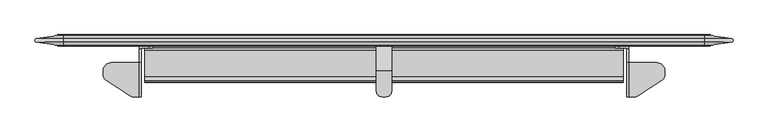
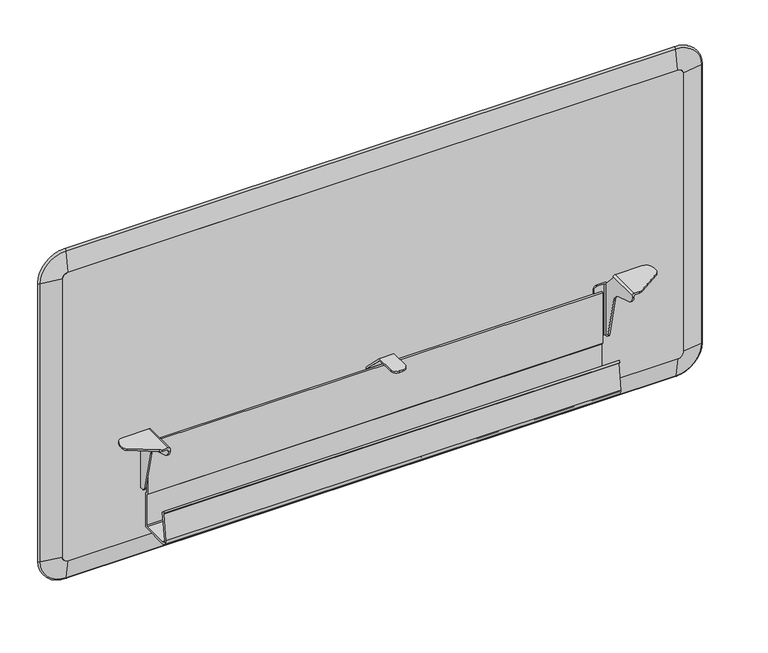
"""IFC4 building model written with IfcOpenShell, lengths in millimetres: furniture geometry."""

from ifc_helpers import new_model, si_unit, point, frame, frame_2d, origin, place, context, project, spatial, polyline, circle_curve, ellipse_curve, trimmed, segment, composite_curve, outline, extrude, source, transform, mapped, element, save
from ifc_brep_helpers import plane_surface, cylinder_surface, revolved_surface, advanced_brep


def furniture_534813c3(model_context):
    return source(origin(), model_context, "Body", "SolidModel", [
        advanced_brep(
        [(37.8460002, 26.549624, 1019.1897249), (47.2440002, 26.549624, 1028.5877249), (47.2440002, 31.9712442, 1064.189321), (2.2444041, 31.9712442, 1019.1897249), (37.8460002, 43.0596241, 1019.1897249), (47.2440002, 43.0596241, 1028.5877249), (2.2444041, 37.638004, 1019.1897249), (47.2440002, 37.638004, 1064.189321), (2.2444041, 31.9712442, 503.0871249), (37.8460002, 26.549624, 503.0871249), (37.8460002, 43.0596241, 503.0871249), (2.2444041, 37.638004, 503.0871249), (47.2440002, 26.549624, 493.6891249), (47.2440002, 31.9712442, 458.0875287), (47.2440002, 43.0596241, 493.6891249), (47.2440002, 37.638004, 458.0875287), (1117.8539998, 31.9712442, 458.0875287), (1117.8539998, 26.549624, 493.6891249), (1117.8539998, 43.0596241, 493.6891249), (1117.8539998, 37.638004, 458.0875287), (1127.2519998, 26.549624, 503.0871249), (1162.8535959, 31.9712442, 503.0871249), (1162.8535959, 31.9712442, 1019.1897249), (1127.2519998, 26.549624, 1019.1897249), (1127.2519998, 43.0596241, 503.0871249), (1127.2519998, 43.0596241, 1019.1897249), (1162.8535959, 37.638004, 503.0871249), (1162.8535959, 37.638004, 1019.1897249), (1117.8539998, 26.549624, 1028.5877249), (1117.8539998, 31.9712442, 1064.189321), (1117.8539998, 43.0596241, 1028.5877249), (1117.8539998, 37.638004, 1064.189321)],
        [
            (0, 1, circle_curve(frame((47.2440002, 26.549624, 1019.1897249), z_axis=(0.0, 1.0, 0.0), x_axis=(0.0, 0.0, 1.0)), 9.398)),
            (1, 2),
            (2, 3, circle_curve(frame((47.2440002, 31.9712442, 1019.1897249), z_axis=(0.0, -1.0, 0.0), x_axis=(0.0, 0.0, 1.0)), 44.9995962)),
            (3, 0),
            (4, 5, circle_curve(frame((47.2440002, 43.0596241, 1019.1897249), z_axis=(0.0, 1.0, 0.0), x_axis=(0.0, 0.0, 1.0)), 9.398)),
            (5, 1),
            (0, 4),
            (6, 7, circle_curve(frame((47.2440002, 37.638004, 1019.1897249), z_axis=(0.0, 1.0, 0.0), x_axis=(0.0, 0.0, 1.0)), 44.9995962)),
            (7, 5),
            (4, 6),
            (2, 7, circle_curve(frame((47.2440002, 34.8046241, 1063.7578373), z_axis=(-1.0, 0.0, 0.0), x_axis=(0.0, 0.0, -1.0)), 2.866046)),
            (6, 3, circle_curve(frame((2.6758878, 34.8046241, 1019.1897249), z_axis=(-1.656996421875594e-12, 0.0, 1.0), x_axis=(1.0, 0.0, 1.656996421875594e-12)), 2.866046)),
            (3, 8),
            (8, 9),
            (9, 0),
            (9, 10),
            (10, 4),
            (10, 11),
            (11, 6),
            (11, 8, circle_curve(frame((2.6758878, 34.8046241, 503.0871249), z_axis=(0.0, 0.0, 1.0), x_axis=(1.0, 0.0, 0.0)), 2.866046)),
            (12, 9, circle_curve(frame((47.2440002, 26.549624, 503.0871249), z_axis=(0.0, 1.0, 0.0), x_axis=(-1.0, 0.0, 0.0)), 9.398)),
            (8, 13, circle_curve(frame((47.2440002, 31.9712442, 503.0871249), z_axis=(0.0, -1.0, 0.0), x_axis=(-1.0, 0.0, 0.0)), 44.9995962)),
            (13, 12),
            (14, 10, circle_curve(frame((47.2440002, 43.0596241, 503.0871249), z_axis=(0.0, 1.0, 0.0), x_axis=(-1.0, 0.0, 0.0)), 9.398)),
            (12, 14),
            (15, 11, circle_curve(frame((47.2440002, 37.638004, 503.0871249), z_axis=(0.0, 1.0, 0.0), x_axis=(-1.0, 0.0, 0.0)), 44.9995962)),
            (14, 15),
            (15, 13, circle_curve(frame((47.2440002, 34.8046241, 458.5190124), z_axis=(-1.0, 0.0, 0.0), x_axis=(0.0, 0.0, 1.0)), 2.866046)),
            (13, 16),
            (16, 17),
            (17, 12),
            (17, 18),
            (18, 14),
            (18, 19),
            (19, 15),
            (19, 16, circle_curve(frame((1117.8539998, 34.8046241, 458.5190124), z_axis=(-1.0, 0.0, 0.0), x_axis=(0.0, 0.0, 1.0)), 2.866046)),
            (20, 21),
            (21, 22),
            (22, 23),
            (23, 20),
            (24, 20),
            (23, 25),
            (25, 24),
            (26, 24),
            (25, 27),
            (27, 26),
            (21, 26, circle_curve(frame((1162.4221122, 34.8046241, 503.0871249), z_axis=(0.0, 0.0, 1.0), x_axis=(-1.0, 0.0, 0.0)), 2.866046)),
            (27, 22, circle_curve(frame((1162.4221122, 34.8046241, 1019.1897249), z_axis=(0.0, 0.0, -1.0), x_axis=(-1.0, 0.0, 0.0)), 2.866046)),
            (28, 23, circle_curve(frame((1117.8539998, 26.549624, 1019.1897249), z_axis=(0.0, 1.0, 0.0), x_axis=(1.0, 0.0, 0.0)), 9.398)),
            (22, 29, circle_curve(frame((1117.8539998, 31.9712442, 1019.1897249), z_axis=(0.0, -1.0, 0.0), x_axis=(1.0, 0.0, 0.0)), 44.9995962)),
            (29, 28),
            (30, 25, circle_curve(frame((1117.8539998, 43.0596241, 1019.1897249), z_axis=(0.0, 1.0, 0.0), x_axis=(1.0, 0.0, 0.0)), 9.398)),
            (28, 30),
            (31, 27, circle_curve(frame((1117.8539998, 37.638004, 1019.1897249), z_axis=(0.0, 1.0, 0.0), x_axis=(1.0, 0.0, 0.0)), 44.9995962)),
            (30, 31),
            (31, 29, circle_curve(frame((1117.8539998, 34.8046241, 1063.7578373), z_axis=(1.0, 0.0, 0.0), x_axis=(0.0, 0.0, -1.0)), 2.866046)),
            (29, 2),
            (1, 28),
            (5, 30),
            (7, 31),
            (20, 17, circle_curve(frame((1117.8539998, 26.549624, 503.0871249), z_axis=(0.0, 1.0, 0.0), x_axis=(0.0, 0.0, -1.0)), 9.398)),
            (16, 21, circle_curve(frame((1117.8539998, 31.9712442, 503.0871249), z_axis=(0.0, -1.0, 0.0), x_axis=(0.0, 0.0, -1.0)), 44.9995962)),
            (24, 18, circle_curve(frame((1117.8539998, 43.0596241, 503.0871249), z_axis=(0.0, 1.0, 0.0), x_axis=(0.0, 0.0, -1.0)), 9.398)),
            (26, 19, circle_curve(frame((1117.8539998, 37.638004, 503.0871249), z_axis=(0.0, 1.0, 0.0), x_axis=(0.0, 0.0, -1.0)), 44.9995962)),
        ],
        [
            revolved_surface(polyline([(47.2440002, 31.9712442, 1064.189321), (47.2440002, 26.549624, 1028.5877249)]), (47.2440002, 34.8046241, 1019.1897249), (0.0, -1.0, 0.0)),
            revolved_surface(polyline([(47.2440002, 26.549624, 1028.5877249), (47.2440002, 43.0596241, 1028.5877249)]), (47.2440002, 34.8046241, 1019.1897249), (0.0, -1.0, 0.0)),
            revolved_surface(polyline([(47.2440002, 43.0596241, 1028.5877249), (47.2440002, 37.638004, 1064.189321)]), (47.2440002, 34.8046241, 1019.1897249), (0.0, -1.0, 0.0)),
            revolved_surface(trimmed(ellipse_curve(frame((47.2440002, 34.8046241, 1063.7578373), z_axis=(1.0, 0.0, 0.0), x_axis=(0.0, 0.0, -1.0)), 2.866046, 2.866046), [point((47.2440002, 37.638004, 1064.189321))], [point((47.2440002, 31.9712442, 1064.189321))], True, "CARTESIAN"), (47.2440002, 34.8046241, 1019.1897249), (0.0, -1.0, 0.0)),
            plane_surface(frame((2.2444041, 31.9712442, 1019.1897249), z_axis=(-0.1505501753136433, -0.9886023693644637, 0.0), x_axis=(0.0, 0.0, -1.0))),
            plane_surface(frame((37.8460002, 26.549624, 1019.1897249), z_axis=(1.0, 0.0, 0.0), x_axis=(0.0, 0.0, -1.0))),
            plane_surface(frame((37.8460002, 43.0596241, 1019.1897249), z_axis=(-0.1505501753136384, 0.9886023693644643, 0.0), x_axis=(0.0, 0.0, -1.0))),
            cylinder_surface(frame((2.6758878, 34.8046241, 1019.1897249), z_axis=(0.0, 0.0, 1.0), x_axis=(1.0, 0.0, 0.0)), 2.866046),
            revolved_surface(polyline([(2.2444041, 31.9712442, 503.0871249), (37.8460002, 26.549624, 503.0871249)]), (47.2440002, 34.8046241, 503.0871249), (0.0, -1.0, 0.0)),
            revolved_surface(polyline([(37.846000200000006, 26.549624, 503.0871249), (37.846000200000006, 43.0596241, 503.0871249)]), (47.2440002, 34.8046241, 503.0871249), (0.0, -1.0, 0.0)),
            revolved_surface(polyline([(37.8460002, 43.0596241, 503.0871249), (2.2444041, 37.638004, 503.0871249)]), (47.2440002, 34.8046241, 503.0871249), (0.0, -1.0, 0.0)),
            revolved_surface(trimmed(ellipse_curve(frame((2.6758878, 34.8046241, 503.0871249), z_axis=(0.0, 0.0, 1.0), x_axis=(1.0, 0.0, 0.0)), 2.866046, 2.866046), [point((2.2444041, 37.638004, 503.0871249))], [point((2.2444041, 31.9712442, 503.0871249))], True, "CARTESIAN"), (47.2440002, 34.8046241, 503.0871249), (0.0, -1.0, 0.0)),
            plane_surface(frame((47.2440002, 31.9712442, 458.0875287), z_axis=(0.0, -0.9886023693644641, -0.1505501753136401), x_axis=(1.0, 0.0, 0.0))),
            plane_surface(frame((47.2440002, 26.549624, 493.6891249), z_axis=(0.0, 0.0, 1.0), x_axis=(1.0, 0.0, 0.0))),
            plane_surface(frame((47.2440002, 43.0596241, 493.6891249), z_axis=(0.0, 0.9886023693644639, -0.1505501753136416), x_axis=(1.0, 0.0, 0.0))),
            cylinder_surface(frame((47.2440002, 34.8046241, 458.5190124), z_axis=(-1.0, 0.0, 0.0), x_axis=(0.0, 0.0, 1.0)), 2.866046),
            plane_surface(frame((1162.8535959, 31.9712442, 503.0871249), z_axis=(0.1505501753136369, -0.9886023693644646, 0.0), x_axis=(0.0, 0.0, 1.0))),
            plane_surface(frame((1127.2519998, 26.549624, 503.0871249), z_axis=(-1.0, 0.0, 0.0), x_axis=(0.0, 0.0, 1.0))),
            plane_surface(frame((1127.2519998, 43.0596241, 503.0871249), z_axis=(0.15055017531364479, 0.9886023693644634, 0.0), x_axis=(0.0, 0.0, 1.0))),
            cylinder_surface(frame((1162.4221122, 34.8046241, 503.0871249), z_axis=(0.0, 0.0, -1.0), x_axis=(-1.0, 0.0, 0.0)), 2.866046),
            revolved_surface(polyline([(1162.8535959, 31.9712442, 1019.1897249), (1127.2519998, 26.549624, 1019.1897249)]), (1117.8539998, 34.8046241, 1019.1897249), (0.0, -1.0, 0.0)),
            revolved_surface(polyline([(1127.2519998, 26.549624, 1019.1897249), (1127.2519998, 43.0596241, 1019.1897249)]), (1117.8539998, 34.8046241, 1019.1897249), (0.0, -1.0, 0.0)),
            revolved_surface(polyline([(1127.2519998, 43.0596241, 1019.1897249), (1162.8535959, 37.638004, 1019.1897249)]), (1117.8539998, 34.8046241, 1019.1897249), (0.0, -1.0, 0.0)),
            revolved_surface(trimmed(ellipse_curve(frame((1162.4221122, 34.8046241, 1019.1897249), z_axis=(0.0, 0.0, -1.0), x_axis=(-1.0, 0.0, 0.0)), 2.866046, 2.866046), [point((1162.8535959, 37.638004, 1019.1897249))], [point((1162.8535959, 31.9712442, 1019.1897249))], True, "CARTESIAN"), (1117.8539998, 34.8046241, 1019.1897249), (0.0, -1.0, 0.0)),
            plane_surface(frame((1117.8539998, 31.9712442, 1064.189321), z_axis=(0.0, -0.9886023693644641, 0.1505501753136401), x_axis=(-1.0, 0.0, 0.0))),
            plane_surface(frame((1117.8539998, 26.549624, 1028.5877249), z_axis=(0.0, 0.0, -1.0), x_axis=(-1.0, 0.0, 0.0))),
            plane_surface(frame((1117.8539998, 43.0596241, 1028.5877249), z_axis=(0.0, 0.9886023693644639, 0.1505501753136416), x_axis=(-1.0, 0.0, 0.0))),
            cylinder_surface(frame((1117.8539998, 34.8046241, 1063.7578373), z_axis=(1.0, 0.0, 0.0), x_axis=(0.0, 0.0, -1.0)), 2.866046),
            revolved_surface(polyline([(1117.8539998, 31.9712442, 458.0875287), (1117.8539998, 26.549624, 493.6891249)]), (1117.8539998, 34.8046241, 503.0871249), (0.0, -1.0, 0.0)),
            revolved_surface(polyline([(1117.8539998, 26.549624, 493.68912489999997), (1117.8539998, 43.0596241, 493.68912489999997)]), (1117.8539998, 34.8046241, 503.0871249), (0.0, -1.0, 0.0)),
            revolved_surface(polyline([(1117.8539998, 43.0596241, 493.6891249), (1117.8539998, 37.638004, 458.0875287)]), (1117.8539998, 34.8046241, 503.0871249), (0.0, -1.0, 0.0)),
            revolved_surface(trimmed(ellipse_curve(frame((1117.8539998, 34.8046241, 458.5190124), z_axis=(-1.0, 0.0, 0.0), x_axis=(0.0, 0.0, 1.0)), 2.866046, 2.866046), [point((1117.8539998, 37.638004, 458.0875287))], [point((1117.8539998, 31.9712442, 458.0875287))], True, "CARTESIAN"), (1117.8539998, 34.8046241, 503.0871249), (0.0, -1.0, 0.0)),
        ],
        [
            (0, [[1, 2, 3, 4]]),
            (1, [[5, 6, -1, 7]]),
            (2, [[8, 9, -5, 10]]),
            (3, [[-3, 11, -8, 12]]),
            (4, [[-4, 13, 14, 15]]),
            (5, [[-7, -15, 16, 17]]),
            (6, [[-10, -17, 18, 19]]),
            (7, [[-12, -19, 20, -13]]),
            (8, [[21, -14, 22, 23]]),
            (9, [[24, -16, -21, 25]]),
            (10, [[26, -18, -24, 27]]),
            (11, [[-22, -20, -26, 28]]),
            (12, [[-23, 29, 30, 31]]),
            (13, [[-25, -31, 32, 33]]),
            (14, [[-27, -33, 34, 35]]),
            (15, [[-28, -35, 36, -29]]),
            (16, [[37, 38, 39, 40]]),
            (17, [[41, -40, 42, 43]]),
            (18, [[44, -43, 45, 46]]),
            (19, [[47, -46, 48, -38]]),
            (20, [[49, -39, 50, 51]]),
            (21, [[52, -42, -49, 53]]),
            (22, [[54, -45, -52, 55]]),
            (23, [[-50, -48, -54, 56]]),
            (24, [[-51, 57, -2, 58]]),
            (25, [[-53, -58, -6, 59]]),
            (26, [[-55, -59, -9, 60]]),
            (27, [[-56, -60, -11, -57]]),
            (28, [[61, -30, 62, -37]]),
            (29, [[63, -32, -61, -41]]),
            (30, [[64, -34, -63, -44]]),
            (31, [[-62, -36, -64, -47]]),
        ],
    ),
        extrude(outline(composite_curve([segment(polyline([(1028.5877249, 1117.8539998), (1028.5877249, 47.2440002)]), True, "CONTINUOUS"), segment(trimmed(circle_curve(frame_2d((1019.1897249, 47.2440002)), 9.398), [point((1028.5877249, 47.2440002))], [point((1019.1897249, 37.8460002))], False, "CARTESIAN"), True, "CONTINUOUS"), segment(polyline([(1019.1897249, 37.8460002), (503.0871249, 37.8460002)]), True, "CONTINUOUS"), segment(trimmed(circle_curve(frame_2d((503.0871249, 47.2440002)), 9.398), [point((503.0871249, 37.8460002))], [point((493.6891249, 47.2440002))], False, "CARTESIAN"), True, "CONTINUOUS"), segment(polyline([(493.6891249, 47.2440002), (493.6891249, 1117.8539998)]), True, "CONTINUOUS"), segment(trimmed(circle_curve(frame_2d((503.0871249, 1117.8539998)), 9.398), [point((493.6891249, 1117.8539998))], [point((503.0871249, 1127.2519998))], False, "CARTESIAN"), True, "CONTINUOUS"), segment(polyline([(503.0871249, 1127.2519998), (1019.1897249, 1127.2519998)]), True, "CONTINUOUS"), segment(trimmed(circle_curve(frame_2d((1019.1897249, 1117.8539998)), 9.398), [point((1019.1897249, 1127.2519998))], [point((1028.5877249, 1117.8539998))], False, "CARTESIAN"), True, "CONTINUOUS")], self_intersect=False)), frame((0.0, 25.4066228, 0.0), z_axis=(0.0, 1.0, 0.0), x_axis=(0.0, 0.0, 1.0)), (0.0, 0.0, 1.0), 18.7960025),
        extrude(outline(composite_curve([segment(polyline([(-29.6214455, 566.0400135), (-32.2417275, 568.6602751), (-31.9020339, 572.8107121), (-26.2692382, 567.1779164), (-32.5488339, 519.4796569)]), True, "CONTINUOUS"), segment(trimmed(circle_curve(frame_2d((-26.2531591, 518.6508155)), 6.35), [point((-32.5488339, 519.4796569))], [point((-26.2531591, 512.3008155))], True, "CARTESIAN"), True, "CONTINUOUS"), segment(polyline([(-26.2531591, 512.3008155), (20.6071565, 512.3008155), (22.1946573, 513.8882913), (22.1946573, 570.4668145), (19.0196569, 573.6418024), (19.0196569, 667.977396), (22.1946573, 667.977396), (22.1946573, 574.9569474), (25.3696565, 571.7819232), (25.3696565, 512.3008155), (24.4397214, 510.055749), (22.1946573, 509.1257913), (-26.0079813, 509.1257913)]), True, "CONTINUOUS"), segment(trimmed(circle_curve(frame_2d((-26.0079813, 518.8658104)), 9.7400191), [point((-26.0079813, 509.1257913))], [point((-35.6646732, 520.1371379))], False, "CARTESIAN"), True, "CONTINUOUS"), segment(polyline([(-35.6646732, 520.1371379), (-29.6214455, 566.0400135)]), True, "CONTINUOUS")], self_intersect=False)), frame((183.0831925, 0.0, 0.0), z_axis=(1.0, 0.0, 0.0), x_axis=(0.0, 1.0, 0.0)), (0.0, 0.0, 1.0), 798.9316072),
        advanced_brep(
        [(986.5359998, 22.0728737, 681.0643879), (988.0599983, 20.5488729, 681.0643879), (991.1079954, 20.5488729, 681.0643879), (991.1079954, 25.1208731, 681.0643879), (975.1059985, 25.1208731, 681.0643879), (975.1059985, 22.0728737, 681.0643879), (991.1079998, 18.5173958, 585.8154416), (988.0599998, 18.5173958, 585.8154416), (988.0599998, 20.5488729, 585.8154416), (986.5359998, 22.0728737, 585.8154416), (975.1059985, 22.0728737, 585.8154416), (975.1059985, 25.1208731, 585.8154416), (991.1079954, 25.1208731, 585.8154416), (991.1079954, 20.5488729, 681.3737901), (991.1079954, -2.6141187, 706.2063852), (991.1079954, -59.9691275, 706.2063881), (991.1079954, -59.9691275, 703.6685243), (991.1079954, -51.0192378, 691.5348244), (991.1079954, -19.5344252, 681.8039492), (991.1079954, -4.0487508, 665.2685282), (991.1079954, 14.0702213, 589.3263938), (968.7559985, 25.1208731, 592.1654416), (968.7559985, 25.1208731, 674.7143879), (968.7559985, 22.0728737, 674.7143879), (968.7559985, 22.0728737, 592.1654416), (992.6827917, -59.9691275, 707.7811438), (1000.9824919, -59.9691275, 707.7811438), (1000.9824919, -59.9691275, 710.8545753), (991.2349998, -59.9691275, 710.8545753), (988.0599998, -59.9691275, 707.6795753), (988.0599998, -59.9691275, 703.6685243), (988.0599998, -2.6141187, 706.2063852), (988.0599998, -2.6141187, 707.6795753), (991.2349998, -2.6141187, 710.8545753), (1037.7169927, -2.6141187, 710.8545753), (1037.7169927, -2.6141187, 707.7811438), (992.6827917, -2.6141187, 707.7811438), (988.0599998, 20.5488729, 681.3737901), (988.0599998, 14.0702213, 589.3263938), (988.0599998, -4.0487508, 665.2685282), (988.0599998, -19.5344252, 681.8039492), (988.0599998, -51.0192378, 691.5348244), (1005.8892117, -58.4923724, 710.8545753), (1047.0687126, -31.236255, 710.8545753), (1051.0519927, -23.8230101, 710.8545753), (1051.0519927, -15.9491187, 710.8545753), (1047.0687126, -31.236255, 707.7811438), (1005.8892117, -58.4923724, 707.7811438), (1051.0519927, -15.9491187, 707.7811438), (1051.0519927, -23.8230101, 707.7811438)],
        [
            (0, 1),
            (1, 2),
            (2, 3),
            (3, 4),
            (4, 5),
            (5, 0),
            (6, 7),
            (7, 8),
            (8, 9),
            (9, 10),
            (10, 11),
            (11, 12),
            (12, 6),
            (0, 9),
            (8, 1),
            (2, 13),
            (13, 14),
            (14, 15),
            (15, 16),
            (16, 17, circle_curve(frame((991.1079954, -47.2691275, 703.6685243), z_axis=(1.0, 0.0, 0.0), x_axis=(0.0, 0.0, -1.0)), 12.7)),
            (17, 18),
            (18, 19, circle_curve(frame((991.1079954, -26.2846237, 659.9632894), z_axis=(-1.0, 0.0, 0.0), x_axis=(0.0, 0.0, -1.0)), 22.86)),
            (19, 20),
            (20, 6, circle_curve(frame((991.1079954, 18.5173958, 590.3874416), z_axis=(1.0, 0.0, 0.0), x_axis=(0.0, 0.0, -1.0)), 4.572)),
            (12, 3),
            (11, 21, circle_curve(frame((975.1059985, 25.1208731, 592.1654416), z_axis=(0.0, 1.0, 0.0), x_axis=(-1.0, 0.0, 0.0)), 6.35)),
            (21, 22),
            (22, 4, circle_curve(frame((975.1059985, 25.1208731, 674.7143879), z_axis=(0.0, 1.0, 0.0), x_axis=(-1.0, 0.0, 0.0)), 6.35)),
            (5, 23, circle_curve(frame((975.1059985, 22.0728737, 674.7143879), z_axis=(0.0, -1.0, 0.0), x_axis=(-1.0, 0.0, 0.0)), 6.35)),
            (23, 24),
            (24, 10, circle_curve(frame((975.1059985, 22.0728737, 592.1654416), z_axis=(0.0, -1.0, 0.0), x_axis=(-1.0, 0.0, 0.0)), 6.35)),
            (24, 21),
            (23, 22),
            (15, 25),
            (25, 26),
            (26, 27),
            (27, 28),
            (28, 29, circle_curve(frame((991.2349998, -59.9691275, 707.6795753), z_axis=(0.0, -1.0, 0.0), x_axis=(-1.0, 0.0, 0.0)), 3.175)),
            (29, 30),
            (30, 16),
            (31, 32),
            (32, 33, circle_curve(frame((991.2349998, -2.6141187, 707.6795753), z_axis=(0.0, 1.0, 0.0), x_axis=(-1.0, 0.0, 0.0)), 3.175)),
            (33, 34),
            (34, 35),
            (35, 36),
            (36, 14),
            (14, 31),
            (29, 32),
            (31, 37),
            (37, 1),
            (7, 38, circle_curve(frame((988.0599998, 18.5173958, 590.3874416), z_axis=(-1.0, 0.0, 0.0), x_axis=(0.0, 0.0, -1.0)), 4.572)),
            (38, 39),
            (39, 40, circle_curve(frame((988.0599998, -26.2846237, 659.9632894), z_axis=(1.0, 0.0, 0.0), x_axis=(0.0, 0.0, -1.0)), 22.86)),
            (40, 41),
            (41, 30, circle_curve(frame((988.0599998, -47.2691275, 703.6685243), z_axis=(-1.0, 0.0, 0.0), x_axis=(0.0, 0.0, -1.0)), 12.7)),
            (36, 25),
            (28, 33),
            (27, 42, circle_curve(frame((1000.9824919, -51.0791275, 710.8545753), z_axis=(0.0, 0.0, 1.0), x_axis=(-1.0, 0.0, 0.0)), 8.89)),
            (42, 43),
            (43, 44, circle_curve(frame((1042.1619927, -23.8230101, 710.8545753), z_axis=(0.0, 0.0, 1.0), x_axis=(-1.0, 0.0, 0.0)), 8.89)),
            (44, 45),
            (45, 34, circle_curve(frame((1037.7169927, -15.9491187, 710.8545753), z_axis=(0.0, 0.0, 1.0), x_axis=(-1.0, 0.0, 0.0)), 13.335)),
            (46, 47),
            (47, 26, circle_curve(frame((1000.9824919, -51.0791275, 707.7811438), z_axis=(0.0, 0.0, -1.0), x_axis=(-1.0, 0.0, 0.0)), 8.89)),
            (35, 48, circle_curve(frame((1037.7169927, -15.9491187, 707.7811438), z_axis=(0.0, 0.0, -1.0), x_axis=(-1.0, 0.0, 0.0)), 13.335)),
            (48, 49),
            (49, 46, circle_curve(frame((1042.1619927, -23.8230101, 707.7811438), z_axis=(0.0, 0.0, -1.0), x_axis=(-1.0, 0.0, 0.0)), 8.89)),
            (42, 47),
            (46, 43),
            (45, 48),
            (44, 49),
            (37, 13),
            (20, 38),
            (19, 39),
            (18, 40),
            (17, 41),
        ],
        [
            plane_surface(frame((986.5359998, 25.1208731, 681.0643879), z_axis=(0.0, 0.0, 1.0), x_axis=(0.0, -1.0, 0.0))),
            plane_surface(frame((986.5359998, 25.1208731, 585.8154416), z_axis=(0.0, 0.0, -1.0), x_axis=(0.0, -1.0, 0.0))),
            plane_surface(frame((986.5359998, 22.0728737, 681.0643879), z_axis=(-0.7071073080222255, -0.707106254350477, 0.0), x_axis=(0.0, 0.0, -1.0))),
            plane_surface(frame((991.1079954, 20.5488729, 681.0643879), z_axis=(1.0, 0.0, 0.0), x_axis=(0.0, 0.0, -1.0))),
            plane_surface(frame((991.1079954, 25.1208731, 681.0643879), z_axis=(0.0, 1.0, 0.0), x_axis=(0.0, 0.0, -1.0))),
            plane_surface(frame((975.1059985, 22.0728737, 681.0643879), z_axis=(0.0, -1.0, 0.0), x_axis=(-1.0, 0.0, 0.0))),
            cylinder_surface(frame((975.1059985, 25.1208731, 592.1654416), z_axis=(0.0, -1.0, 0.0), x_axis=(-1.0, 0.0, 0.0)), 6.35),
            plane_surface(frame((968.7559985, 22.0728737, 674.7143879), z_axis=(-1.0, 0.0, 0.0), x_axis=(0.0, 1.0, 0.0))),
            cylinder_surface(frame((975.1059985, 25.1208731, 674.7143879), z_axis=(0.0, -1.0, 0.0), x_axis=(-1.0, 0.0, 0.0)), 6.35),
            plane_surface(frame((988.0599998, -59.9691275, 706.2063852), z_axis=(0.0, -1.0, 0.0), x_axis=(0.0, 0.0, 1.0))),
            plane_surface(frame((988.0599998, -2.6141187, 706.2063852), z_axis=(0.0, 1.0, 0.0), x_axis=(0.0, 0.0, 1.0))),
            plane_surface(frame((988.0599998, -59.9691275, 707.6795753), z_axis=(-1.0, 0.0, 0.0), x_axis=(0.0, 1.0, 0.0))),
            plane_surface(frame((991.1079969, -59.9691275, 706.2063852), z_axis=(0.707098623564232, 0.0, -0.7071149387147527), x_axis=(0.0, 1.0, 0.0))),
            cylinder_surface(frame((991.2349998, -59.9691275, 707.6795753), z_axis=(0.0, -1.0, 0.0), x_axis=(-1.0, 0.0, 0.0)), 3.175),
            plane_surface(frame((992.6827917, -59.9691275, 710.8545753), z_axis=(0.0, 0.0, 1.0), x_axis=(0.0, 1.0, 0.0))),
            plane_surface(frame((1033.2719927, -23.8230101, 707.7811438), z_axis=(0.0, 0.0, -1.0), x_axis=(0.0, 1.0, 0.0))),
            plane_surface(frame((1005.8892117, -58.4923724, 710.8545753), z_axis=(0.5519369911431398, -0.8338858182076594, 0.0), x_axis=(0.0, 0.0, -1.0))),
            cylinder_surface(frame((1000.9824919, -51.0791275, 707.7811438), z_axis=(0.0, 0.0, 1.0), x_axis=(-1.0, 0.0, 0.0)), 8.89),
            cylinder_surface(frame((1037.7169927, -15.9491187, 707.7811438), z_axis=(0.0, 0.0, 1.0), x_axis=(-1.0, 0.0, 0.0)), 13.335),
            plane_surface(frame((1051.0519927, -23.8230101, 710.8545753), z_axis=(1.0, 0.0, 0.0), x_axis=(0.0, 0.0, -1.0))),
            cylinder_surface(frame((1042.1619927, -23.8230101, 707.7811438), z_axis=(0.0, 0.0, 1.0), x_axis=(-1.0, 0.0, 0.0)), 8.89),
            plane_surface(frame((991.1079998, 20.5488729, 585.8154416), z_axis=(0.0, 1.0, 0.0), x_axis=(-1.0, 0.0, 0.0))),
            plane_surface(frame((991.1079998, 20.5488729, 681.3737901), z_axis=(0.0, 0.7312623065650411, 0.6820963560943394), x_axis=(-1.0, 0.0, 0.0))),
            cylinder_surface(frame((988.0599998, 18.5173958, 590.3874416), z_axis=(1.0, 0.0, 0.0), x_axis=(0.0, 0.0, -1.0)), 4.572),
            plane_surface(frame((991.1079998, -4.0487508, 665.2685282), z_axis=(0.0, -0.972697849560511, -0.23207518923908624), x_axis=(-1.0, 0.0, 0.0))),
            revolved_surface(polyline([(988.0599998, -26.2846237, 637.1032894), (991.1079954, -26.2846237, 637.1032894)]), (988.0599998, -26.2846237, 659.9632894), (-1.0, 0.0, 0.0)),
            plane_surface(frame((991.1079998, -51.0192378, 691.5348244), z_axis=(0.0, -0.2952842736686701, -0.9554094398340254), x_axis=(-1.0, 0.0, 0.0))),
            cylinder_surface(frame((988.0599998, -47.2691275, 703.6685243), z_axis=(1.0, 0.0, 0.0), x_axis=(0.0, 0.0, -1.0)), 12.7),
        ],
        [
            (0, [[1, 2, 3, 4, 5, 6]]),
            (1, [[7, 8, 9, 10, 11, 12, 13]]),
            (2, [[-1, 14, -9, 15]]),
            (3, [[-3, 16, 17, 18, 19, 20, 21, 22, 23, 24, -13, 25]]),
            (4, [[-25, -12, 26, 27, 28, -4]]),
            (5, [[-6, 29, 30, 31, -10, -14]]),
            (6, [[-31, 32, -26, -11]]),
            (7, [[-30, 33, -27, -32]]),
            (8, [[-29, -5, -28, -33]]),
            (9, [[34, 35, 36, 37, 38, 39, 40, -19]]),
            (10, [[41, 42, 43, 44, 45, 46, 47]]),
            (11, [[-39, 48, -41, 49, 50, -15, -8, 51, 52, 53, 54, 55]]),
            (12, [[-34, -18, -46, 56]]),
            (13, [[-38, 57, -42, -48]]),
            (14, [[-57, -37, 58, 59, 60, 61, 62, -43]]),
            (15, [[63, 64, -35, -56, -45, 65, 66, 67]]),
            (16, [[-59, 68, -63, 69]]),
            (17, [[-58, -36, -64, -68]]),
            (18, [[-62, 70, -65, -44]]),
            (19, [[-61, 71, -66, -70]]),
            (20, [[-60, -69, -67, -71]]),
            (21, [[72, -16, -2, -50]]),
            (22, [[-49, -47, -17, -72]]),
            (23, [[-51, -7, -24, 73]]),
            (24, [[-52, -73, -23, 74]]),
            (25, [[-53, -74, -22, 75]]),
            (26, [[-54, -75, -21, 76]]),
            (27, [[-55, -76, -20, -40]]),
        ],
    ),
        advanced_brep(
        [(177.0380017, -59.9691275, 703.6685243), (177.0380017, -51.0192378, 691.5348244), (177.0380017, -19.5344252, 681.8039492), (177.0380017, -4.0487508, 665.2685282), (177.0380017, 14.0702213, 589.3263938), (177.0380017, 18.5173958, 585.8154416), (177.0380017, 20.5488729, 585.8154416), (177.0380017, 20.5488729, 681.0643879), (177.0380017, 20.5488729, 681.3737901), (177.0380017, -2.6141187, 706.2063852), (177.0380017, -2.6141187, 707.6795753), (177.0380017, -59.9691275, 707.6795753), (173.9900046, -2.6141187, 706.2063852), (173.9900046, 20.5488729, 681.3737901), (173.9900046, 20.5488729, 681.0643879), (173.9900046, 25.1208731, 681.0643879), (173.9900046, 25.1208731, 585.8154416), (173.9900046, 18.5173958, 585.8154416), (173.9900046, 14.0702213, 589.3263938), (173.9900046, -4.0487508, 665.2685282), (173.9900046, -19.5344252, 681.8039492), (173.9900046, -51.0192378, 691.5348244), (173.9900046, -59.9691275, 703.6685243), (173.9900046, -59.9691275, 706.2063852), (173.8630017, -59.9691275, 710.8545753), (164.1155081, -59.9691275, 710.8545753), (164.1155081, -59.9691275, 707.7811438), (172.4152097, -59.9691275, 707.7811438), (189.9920015, 25.1208731, 585.8154416), (189.9920015, 22.0728737, 585.8154416), (178.5620002, 22.0728737, 585.8154416), (178.5620002, 22.0728737, 681.0643879), (189.9920015, 22.0728737, 681.0643879), (189.9920015, 25.1208731, 681.0643879), (196.3420015, 25.1208731, 674.7143879), (196.3420015, 25.1208731, 592.1654416), (196.3420015, 22.0728737, 592.1654416), (196.3420015, 22.0728737, 674.7143879), (172.4152097, -2.6141187, 707.7811438), (127.3810073, -2.6141187, 707.7811438), (127.3810073, -2.6141187, 710.8545753), (173.8630017, -2.6141187, 710.8545753), (114.0460073, -15.9491187, 710.8545753), (114.0460073, -23.8230101, 710.8545753), (118.0292874, -31.236255, 710.8545753), (159.2087883, -58.4923724, 710.8545753), (118.0292874, -31.236255, 707.7811438), (114.0460073, -23.8230101, 707.7811438), (114.0460073, -15.9491187, 707.7811438), (159.2087883, -58.4923724, 707.7811438)],
        [
            (0, 1, circle_curve(frame((177.0380017, -47.2691275, 703.6685243), z_axis=(1.0, 0.0, 0.0), x_axis=(0.0, 0.0, -1.0)), 12.7)),
            (1, 2),
            (2, 3, circle_curve(frame((177.0380017, -26.2846237, 659.9632894), z_axis=(-1.0, 0.0, 0.0), x_axis=(0.0, 0.0, -1.0)), 22.86)),
            (3, 4),
            (4, 5, circle_curve(frame((177.0380017, 18.5173958, 590.3874416), z_axis=(1.0, 0.0, 0.0), x_axis=(0.0, 0.0, -1.0)), 4.572)),
            (5, 6),
            (6, 7),
            (7, 8),
            (8, 9),
            (9, 10),
            (10, 11),
            (11, 0),
            (12, 13),
            (13, 14),
            (14, 15),
            (15, 16),
            (16, 17),
            (17, 18, circle_curve(frame((173.9900046, 18.5173958, 590.3874416), z_axis=(-1.0, 0.0, 0.0), x_axis=(0.0, 0.0, -1.0)), 4.572)),
            (18, 19),
            (19, 20, circle_curve(frame((173.9900046, -26.2846237, 659.9632894), z_axis=(1.0, 0.0, 0.0), x_axis=(0.0, 0.0, -1.0)), 22.86)),
            (20, 21),
            (21, 22, circle_curve(frame((173.9900046, -47.2691275, 703.6685243), z_axis=(-1.0, 0.0, 0.0), x_axis=(0.0, 0.0, -1.0)), 12.7)),
            (22, 23),
            (23, 12),
            (13, 8),
            (7, 14),
            (22, 0),
            (11, 24, circle_curve(frame((173.8630017, -59.9691275, 707.6795753), z_axis=(0.0, -1.0, 0.0), x_axis=(-1.0, 0.0, 0.0)), 3.175)),
            (24, 25),
            (25, 26),
            (26, 27),
            (27, 23),
            (12, 9),
            (5, 17),
            (16, 28),
            (28, 29),
            (29, 30),
            (30, 6),
            (4, 18),
            (3, 19),
            (2, 20),
            (1, 21),
            (7, 31),
            (31, 32),
            (32, 33),
            (33, 15),
            (33, 34, circle_curve(frame((189.9920015, 25.1208731, 674.7143879), z_axis=(0.0, 1.0, 0.0), x_axis=(1.0, 0.0, 0.0)), 6.35)),
            (34, 35),
            (35, 28, circle_curve(frame((189.9920015, 25.1208731, 592.1654416), z_axis=(0.0, 1.0, 0.0), x_axis=(1.0, 0.0, 0.0)), 6.35)),
            (30, 31),
            (29, 36, circle_curve(frame((189.9920015, 22.0728737, 592.1654416), z_axis=(0.0, -1.0, 0.0), x_axis=(1.0, 0.0, 0.0)), 6.35)),
            (36, 37),
            (37, 32, circle_curve(frame((189.9920015, 22.0728737, 674.7143879), z_axis=(0.0, -1.0, 0.0), x_axis=(1.0, 0.0, 0.0)), 6.35)),
            (35, 36),
            (34, 37),
            (12, 38),
            (38, 39),
            (39, 40),
            (40, 41),
            (41, 10, circle_curve(frame((173.8630017, -2.6141187, 707.6795753), z_axis=(0.0, 1.0, 0.0), x_axis=(-1.0, 0.0, 0.0)), 3.175)),
            (27, 38),
            (41, 24),
            (40, 42, circle_curve(frame((127.3810073, -15.9491187, 710.8545753), z_axis=(0.0, 0.0, 1.0), x_axis=(1.0, 0.0, 0.0)), 13.335)),
            (42, 43),
            (43, 44, circle_curve(frame((122.9360073, -23.8230101, 710.8545753), z_axis=(0.0, 0.0, 1.0), x_axis=(-1.0, 0.0, 0.0)), 8.89)),
            (44, 45),
            (45, 25, circle_curve(frame((164.1155081, -51.0791275, 710.8545753), z_axis=(0.0, 0.0, 1.0), x_axis=(-1.0, 0.0, 0.0)), 8.89)),
            (46, 47, circle_curve(frame((122.9360073, -23.8230101, 707.7811438), z_axis=(0.0, 0.0, -1.0), x_axis=(-1.0, 0.0, 0.0)), 8.89)),
            (47, 48),
            (48, 39, circle_curve(frame((127.3810073, -15.9491187, 707.7811438), z_axis=(0.0, 0.0, -1.0), x_axis=(1.0, 0.0, 0.0)), 13.335)),
            (26, 49, circle_curve(frame((164.1155081, -51.0791275, 707.7811438), z_axis=(0.0, 0.0, -1.0), x_axis=(-1.0, 0.0, 0.0)), 8.89)),
            (49, 46),
            (44, 46),
            (49, 45),
            (48, 42),
            (47, 43),
        ],
        [
            plane_surface(frame((177.0380017, -2.6141187, 706.2063852), z_axis=(1.0, 0.0, 0.0), x_axis=(0.0, -0.6820963560943393, 0.7312623065650412))),
            plane_surface(frame((173.9900046, -2.6141187, 706.2063852), z_axis=(-1.0, 0.0, 0.0), x_axis=(0.0, 0.6820963560943393, -0.7312623065650412))),
            plane_surface(frame((173.9900046, 20.5488729, 681.3737901), z_axis=(0.0, 1.0, 0.0), x_axis=(1.0, 0.0, 0.0))),
            plane_surface(frame((173.9900046, -59.9691275, 703.6685243), z_axis=(0.0, -1.0, 0.0), x_axis=(1.0, 0.0, 0.0))),
            plane_surface(frame((173.9900046, -2.6141187, 706.2063852), z_axis=(0.0, 0.7312623065650412, 0.6820963560943393), x_axis=(1.0, 0.0, 0.0))),
            plane_surface(frame((173.9900046, 20.5488729, 585.8154416), z_axis=(0.0, 0.0, -1.0), x_axis=(1.0, 0.0, 0.0))),
            cylinder_surface(frame((177.0380017, 18.5173958, 590.3874416), z_axis=(-1.0, 0.0, 0.0), x_axis=(0.0, 0.0, -1.0)), 4.572),
            plane_surface(frame((173.9900046, 14.0702213, 589.3263938), z_axis=(0.0, -0.972697849560511, -0.23207518923908593), x_axis=(1.0, 0.0, 0.0))),
            revolved_surface(polyline([(177.0380017, -26.2846237, 637.1032894), (173.9900046, -26.2846237, 637.1032894)]), (177.0380017, -26.2846237, 659.9632894), (1.0, 0.0, 0.0)),
            plane_surface(frame((173.9900046, -19.5344252, 681.8039492), z_axis=(0.0, -0.29528427366866977, -0.9554094398340254), x_axis=(1.0, 0.0, 0.0))),
            cylinder_surface(frame((177.0380017, -47.2691275, 703.6685243), z_axis=(-1.0, 0.0, 0.0), x_axis=(0.0, 0.0, -1.0)), 12.7),
            plane_surface(frame((178.5620002, 25.1208731, 681.0643879), z_axis=(0.0, 0.0, 1.0), x_axis=(0.0, -1.0, 0.0))),
            plane_surface(frame((178.5620002, 25.1208731, 681.0643879), z_axis=(0.0, 1.0, 0.0), x_axis=(0.0, 0.0, -1.0))),
            plane_surface(frame((177.0380017, 20.5488729, 681.0643879), z_axis=(0.7071073080221921, -0.7071062543505103, 0.0), x_axis=(0.0, 0.0, -1.0))),
            plane_surface(frame((178.5620002, 22.0728737, 585.8154416), z_axis=(0.0, -1.0, 0.0), x_axis=(0.0, 0.0, -1.0))),
            cylinder_surface(frame((189.9920015, 25.1208731, 592.1654416), z_axis=(0.0, -1.0, 0.0), x_axis=(1.0, 0.0, 0.0)), 6.35),
            plane_surface(frame((196.3420015, 22.0728737, 592.1654416), z_axis=(1.0, 0.0, 0.0), x_axis=(0.0, 1.0, 0.0))),
            cylinder_surface(frame((189.9920015, 25.1208731, 674.7143879), z_axis=(0.0, -1.0, 0.0), x_axis=(1.0, 0.0, 0.0)), 6.35),
            plane_surface(frame((177.0380017, -2.6141187, 706.2063852), z_axis=(0.0, 1.0, 0.0), x_axis=(0.0, 0.0, 1.0))),
            plane_surface(frame((172.4152097, -59.9691275, 707.7811438), z_axis=(-0.707098623564232, 0.0, -0.7071149387147527), x_axis=(0.0, 1.0, 0.0))),
            cylinder_surface(frame((173.8630017, -59.9691275, 707.6795753), z_axis=(0.0, -1.0, 0.0), x_axis=(-1.0, 0.0, 0.0)), 3.175),
            plane_surface(frame((173.8630017, -59.9691275, 710.8545753), z_axis=(0.0, 0.0, 1.0), x_axis=(0.0, 1.0, 0.0))),
            plane_surface(frame((118.0292825, -31.2362518, 707.7811438), z_axis=(0.0, 0.0, -1.0), x_axis=(-0.8338858182076654, 0.5519369911431308, 0.0))),
            plane_surface(frame((118.0292874, -31.236255, 710.8545753), z_axis=(-0.5519369911431308, -0.8338858182076654, 0.0), x_axis=(0.0, 0.0, -1.0))),
            cylinder_surface(frame((164.1155081, -51.0791275, 707.7811438), z_axis=(0.0, 0.0, 1.0), x_axis=(-1.0, 0.0, 0.0)), 8.89),
            cylinder_surface(frame((127.3810073, -15.9491187, 707.7811438), z_axis=(0.0, 0.0, 1.0), x_axis=(1.0, 0.0, 0.0)), 13.335),
            plane_surface(frame((114.0460073, -15.9491187, 710.8545753), z_axis=(-1.0, 0.0, 0.0), x_axis=(0.0, 0.0, -1.0))),
            cylinder_surface(frame((122.9360073, -23.8230101, 707.7811438), z_axis=(0.0, 0.0, 1.0), x_axis=(-1.0, 0.0, 0.0)), 8.89),
        ],
        [
            (0, [[1, 2, 3, 4, 5, 6, 7, 8, 9, 10, 11, 12]]),
            (1, [[13, 14, 15, 16, 17, 18, 19, 20, 21, 22, 23, 24]]),
            (2, [[25, -8, 26, -14]]),
            (3, [[-23, 27, -12, 28, 29, 30, 31, 32]]),
            (4, [[-9, -25, -13, 33]]),
            (5, [[-6, 34, -17, 35, 36, 37, 38]]),
            (6, [[-5, 39, -18, -34]]),
            (7, [[-4, 40, -19, -39]]),
            (8, [[-3, 41, -20, -40]]),
            (9, [[-2, 42, -21, -41]]),
            (10, [[-1, -27, -22, -42]]),
            (11, [[-15, -26, 43, 44, 45, 46]]),
            (12, [[-16, -46, 47, 48, 49, -35]]),
            (13, [[-43, -7, -38, 50]]),
            (14, [[-37, 51, 52, 53, -44, -50]]),
            (15, [[-51, -36, -49, 54]]),
            (16, [[-52, -54, -48, 55]]),
            (17, [[-53, -55, -47, -45]]),
            (18, [[56, 57, 58, 59, 60, -10, -33]]),
            (19, [[-32, 61, -56, -24]]),
            (20, [[-28, -11, -60, 62]]),
            (21, [[-29, -62, -59, 63, 64, 65, 66, 67]]),
            (22, [[68, 69, 70, -57, -61, -31, 71, 72]]),
            (23, [[-66, 73, -72, 74]]),
            (24, [[-67, -74, -71, -30]]),
            (25, [[-63, -58, -70, 75]]),
            (26, [[-64, -75, -69, 76]]),
            (27, [[-65, -76, -68, -73]]),
        ],
    ),
        advanced_brep(
        [(569.849, -17.3139164, 707.9894159), (569.849, -50.0365943, 707.9894159), (569.849, -50.0365912, 711.037413), (569.849, -16.0513935, 711.037413), (569.849, 25.4066228, 669.5794217), (569.849, 25.4066228, 607.9896332), (569.849, 22.3534071, 607.9896362), (569.849, 22.3534071, 668.3221424), (595.249, -17.3139164, 707.9894159), (595.249, 22.3534071, 668.3221424), (595.249, 22.3534071, 607.9896332), (595.249, 25.4066228, 607.9896362), (595.249, 25.4066228, 669.5794217), (595.249, -16.0513935, 711.037413), (595.249, -50.0365943, 711.037413), (595.249, -50.0365912, 707.9894159), (579.374003, 22.3534071, 598.4646332), (585.723997, 22.3534071, 598.4646332), (585.723997, 25.4066228, 598.4646332), (579.374003, 25.4066228, 598.4646332), (579.374003, -59.5615943, 711.037413), (585.723997, -59.5615943, 711.037413), (585.723997, -59.5615943, 707.9894159), (579.374003, -59.5615943, 707.9894159)],
        [
            (0, 1),
            (1, 2),
            (2, 3),
            (3, 4),
            (4, 5),
            (5, 6),
            (6, 7),
            (7, 0),
            (8, 9),
            (9, 10),
            (10, 11),
            (11, 12),
            (12, 13),
            (13, 14),
            (14, 15),
            (15, 8),
            (7, 9),
            (8, 0),
            (6, 16, circle_curve(frame((579.374003, 22.3534071, 607.9896362), z_axis=(0.0, -1.0, 0.0), x_axis=(0.0, 0.0, -1.0)), 9.525003)),
            (16, 17),
            (17, 10, circle_curve(frame((585.723997, 22.3534071, 607.9896362), z_axis=(0.0, -1.0, 0.0), x_axis=(0.0, 0.0, -1.0)), 9.525003)),
            (4, 12),
            (11, 18, circle_curve(frame((585.723997, 25.4066228, 607.9896362), z_axis=(0.0, 1.0, 0.0), x_axis=(0.0, 0.0, -1.0)), 9.525003)),
            (18, 19),
            (19, 5, circle_curve(frame((579.374003, 25.4066228, 607.9896362), z_axis=(0.0, 1.0, 0.0), x_axis=(0.0, 0.0, -1.0)), 9.525003)),
            (2, 20, circle_curve(frame((579.374003, -50.0365912, 711.037413), z_axis=(0.0, 0.0, 1.0), x_axis=(0.0, -1.0, 0.0)), 9.525003)),
            (20, 21),
            (21, 14, circle_curve(frame((585.723997, -50.0365912, 711.037413), z_axis=(0.0, 0.0, 1.0), x_axis=(0.0, -1.0, 0.0)), 9.525003)),
            (13, 3),
            (15, 22, circle_curve(frame((585.723997, -50.0365912, 707.9894159), z_axis=(0.0, 0.0, -1.0), x_axis=(0.0, -1.0, 0.0)), 9.525003)),
            (22, 23),
            (23, 1, circle_curve(frame((579.374003, -50.0365912, 707.9894159), z_axis=(0.0, 0.0, -1.0), x_axis=(0.0, -1.0, 0.0)), 9.525003)),
            (23, 20),
            (22, 21),
            (19, 16),
            (17, 18),
        ],
        [
            plane_surface(frame((569.849, -50.0365943, 707.9894159), z_axis=(-1.0, 0.0, 0.0), x_axis=(0.0, -1.0, 0.0))),
            plane_surface(frame((595.249, -50.0365943, 707.9894159), z_axis=(1.0, 0.0, 0.0), x_axis=(0.0, 1.0, 0.0))),
            plane_surface(frame((569.849, 22.3534071, 668.3221424), z_axis=(0.0, -0.7071063358890242, -0.7071072264837905), x_axis=(1.0, 0.0, 0.0))),
            plane_surface(frame((569.849, 22.3534071, 607.9896332), z_axis=(0.0, -1.0, 0.0), x_axis=(1.0, 0.0, 0.0))),
            plane_surface(frame((569.849, 25.4066228, 669.5794217), z_axis=(0.0, 1.0, 0.0), x_axis=(1.0, 0.0, 0.0))),
            plane_surface(frame((569.849, -50.0365943, 711.037413), z_axis=(0.0, 0.0, 1.0), x_axis=(1.0, 0.0, 0.0))),
            plane_surface(frame((569.849, -17.3139164, 707.9894159), z_axis=(0.0, 0.0, -1.0), x_axis=(1.0, 0.0, 0.0))),
            plane_surface(frame((569.849, -16.0513935, 711.037413), z_axis=(0.0, 0.7071065681279338, 0.7071069942450972), x_axis=(1.0, 0.0, 0.0))),
            cylinder_surface(frame((579.374003, -50.0365912, 707.9894159), z_axis=(0.0, 0.0, 1.0), x_axis=(0.0, -1.0, 0.0)), 9.525003),
            plane_surface(frame((579.374003, -59.5615943, 711.037413), z_axis=(0.0, -1.0, 0.0), x_axis=(0.0, 0.0, -1.0))),
            cylinder_surface(frame((585.723997, -50.0365912, 707.9894159), z_axis=(0.0, 0.0, 1.0), x_axis=(0.0, -1.0, 0.0)), 9.525003),
            cylinder_surface(frame((579.374003, 22.3534071, 607.9896362), z_axis=(0.0, 1.0, 0.0), x_axis=(0.0, 0.0, -1.0)), 9.525003),
            cylinder_surface(frame((585.723997, 22.3534071, 607.9896362), z_axis=(0.0, 1.0, 0.0), x_axis=(0.0, 0.0, -1.0)), 9.525003),
            plane_surface(frame((585.723997, 25.4066228, 598.4646332), z_axis=(0.0, 0.0, -1.0), x_axis=(0.0, -1.0, 0.0))),
        ],
        [
            (0, [[1, 2, 3, 4, 5, 6, 7, 8]]),
            (1, [[9, 10, 11, 12, 13, 14, 15, 16]]),
            (2, [[-8, 17, -9, 18]]),
            (3, [[-7, 19, 20, 21, -10, -17]]),
            (4, [[-5, 22, -12, 23, 24, 25]]),
            (5, [[-3, 26, 27, 28, -14, 29]]),
            (6, [[-1, -18, -16, 30, 31, 32]]),
            (7, [[-4, -29, -13, -22]]),
            (8, [[-32, 33, -26, -2]]),
            (9, [[-31, 34, -27, -33]]),
            (10, [[-30, -15, -28, -34]]),
            (11, [[-19, -6, -25, 35]]),
            (12, [[-21, 36, -23, -11]]),
            (13, [[-20, -35, -24, -36]]),
        ],
    ),
    ])


if __name__ == "__main__":
    model = new_model("IFC4")
    model_context = context("Model", 3, world=origin())
    ifc_project = project(units=[si_unit("LENGTHUNIT", "METRE", prefix="MILLI")], contexts=[model_context])
    site = spatial("IfcSite", under=ifc_project)
    building = spatial("IfcBuilding", under=site)
    placement = place(None, origin())
    furniture_shape = furniture_534813c3(model_context)
    element("IfcFurniture", 1, at=placement, inside=building, context=model_context, shape_type="MappedRepresentation", body=[
        mapped(furniture_shape, transform((0.0, 0.0, 0.0), x_axis=(1.0, 0.0, 0.0), y_axis=(0.0, 1.0, 0.0), z_axis=(0.0, 0.0, 1.0))),
    ])
    save(model, "model.ifc")
